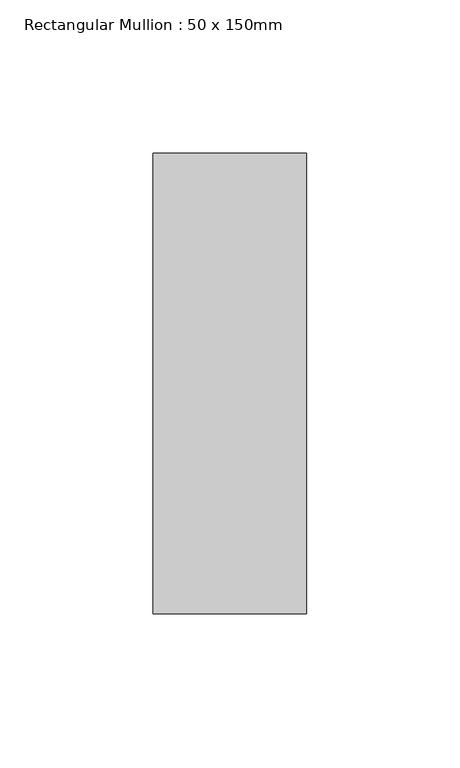
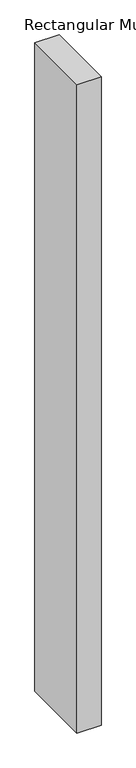
"""IFC4 building model written with IfcOpenShell, lengths in millimetres: member geometry, Rectangular Mullion : 50 x 150mm."""

from ifc_helpers import new_model, si_unit, frame, origin, place, context, project, spatial, polyline, outline, extrude, source, transform, mapped, element, save


def rectangular_mullion_50_x_150mm_e84fa2e5(model_context):
    return source(origin(), model_context, "Body", "SweptSolid", [
        extrude(outline(polyline([(25.0, 75.0), (25.0, -75.0), (-25.0, -75.0), (-25.0, 75.0), (25.0, 75.0)])), frame((0.0, 0.0, -1415.2835198), z_axis=(0.0, 0.0, 1.0), x_axis=(1.0, 0.0, 0.0)), (0.0, 0.0, 1.0), 1415.2835198),
    ])


if __name__ == "__main__":
    model = new_model("IFC4")
    model_context = context("Model", 3, world=origin())
    ifc_project = project(units=[si_unit("LENGTHUNIT", "METRE", prefix="MILLI")], contexts=[model_context])
    site = spatial("IfcSite", under=ifc_project)
    building = spatial("IfcBuilding", under=site)
    placement = place(None, origin())
    rectangular_mullion_50_x_150mm_shape = rectangular_mullion_50_x_150mm_e84fa2e5(model_context)
    element("IfcMember", 1, ObjectType="Rectangular Mullion : 50 x 150mm", at=placement, inside=building, context=model_context, shape_type="MappedRepresentation", body=[
        mapped(rectangular_mullion_50_x_150mm_shape, transform((0.0, 0.0, 0.0), x_axis=(1.0, 0.0, 0.0), y_axis=(0.0, 1.0, 0.0), z_axis=(0.0, 0.0, 1.0))),
    ])
    save(model, "model.ifc")
